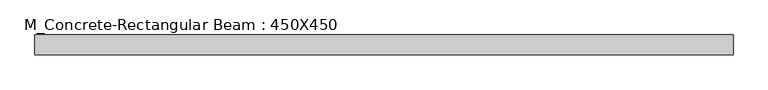
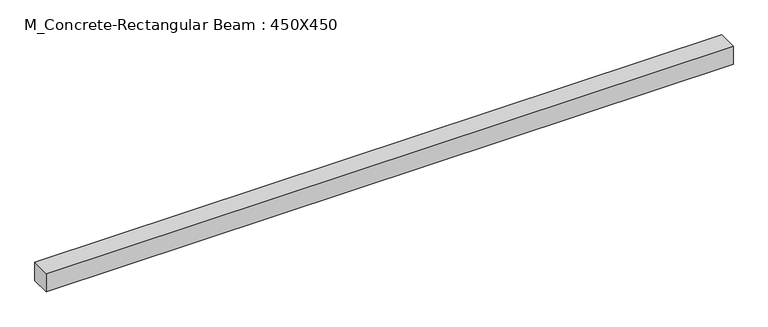
"""IFC4 building model written with IfcOpenShell, lengths in millimetres: beam geometry, M_Concrete-Rectangular Beam : 450X450."""

from ifc_helpers import new_model, si_unit, frame, origin, place, context, project, spatial, polyline, outline, extrude, source, transform, mapped, element, save


def m_concrete_rectangular_beam_450x450_8e2d356d(model_context):
    return source(origin(), model_context, "Body", "SweptSolid", [
        extrude(outline(polyline([(7950.0, 225.0), (7950.0, -225.0), (-7950.0, -225.0), (-7950.0, 225.0), (7950.0, 225.0)])), frame((0.0, 0.0, -225.0), z_axis=(0.0, 0.0, 1.0), x_axis=(1.0, 0.0, 0.0)), (0.0, 0.0, 1.0), 450.0),
    ])


if __name__ == "__main__":
    model = new_model("IFC4")
    model_context = context("Model", 3, world=origin())
    ifc_project = project(units=[si_unit("LENGTHUNIT", "METRE", prefix="MILLI")], contexts=[model_context])
    site = spatial("IfcSite", under=ifc_project)
    building = spatial("IfcBuilding", under=site)
    placement = place(None, origin())
    m_concrete_rectangular_beam_450x450_shape = m_concrete_rectangular_beam_450x450_8e2d356d(model_context)
    element("IfcBeam", 1, ObjectType="M_Concrete-Rectangular Beam : 450X450", at=placement, inside=building, context=model_context, shape_type="MappedRepresentation", body=[
        mapped(m_concrete_rectangular_beam_450x450_shape, transform((0.0, 0.0, 0.0), x_axis=(1.0, 0.0, 0.0), y_axis=(0.0, 1.0, 0.0), z_axis=(0.0, 0.0, 1.0))),
    ])
    save(model, "model.ifc")
